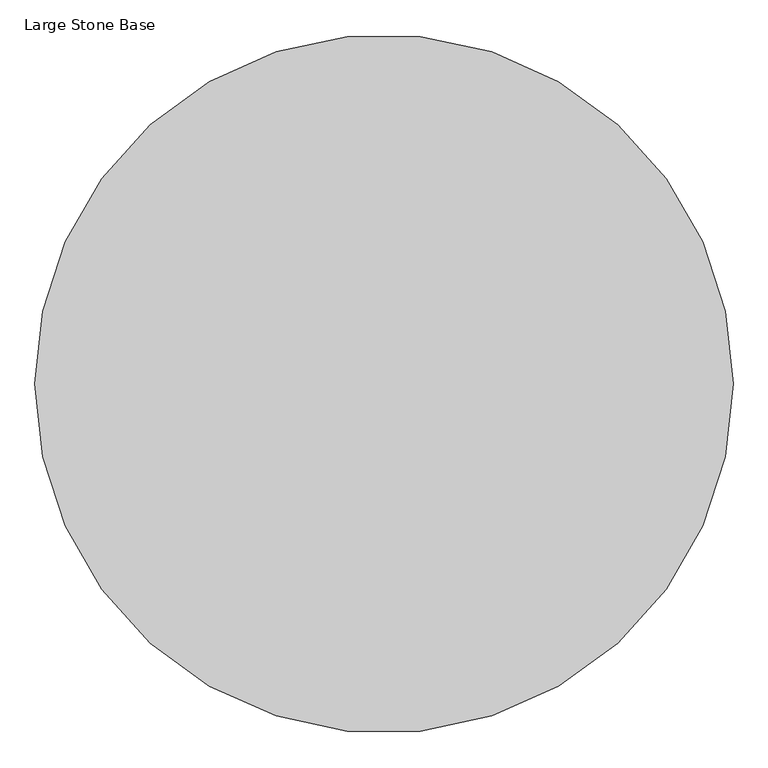
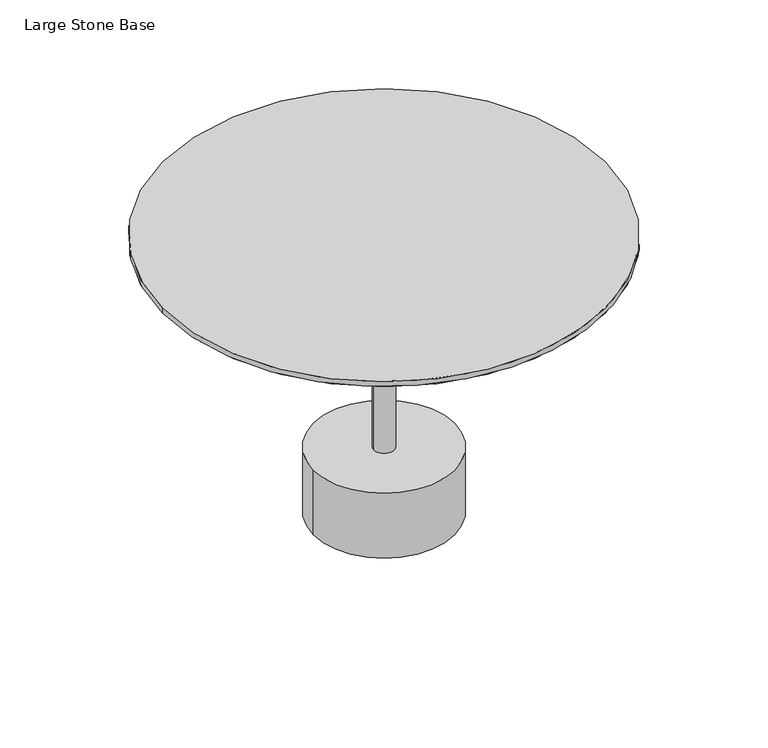
"""IFC4 building model written with IfcOpenShell, lengths in millimetres: furniture geometry, Large Stone Base."""

from ifc_helpers import new_model, si_unit, point, frame, frame_2d, origin, origin_with_axes, place, context, project, spatial, polyline, circle_curve, trimmed, segment, composite_curve, outline, extrude, source, transform, mapped, element, save
from ifc_brep_helpers import plane_surface, revolved_surface, advanced_brep


def large_stone_base_0d351807(model_context):
    return source(origin(), model_context, "Body", "SolidModel", [
        extrude(outline(composite_curve([segment(trimmed(circle_curve(frame_2d((-155.4452882, -292.1)), 325.2780625), [point((-480.7233507, -292.1))], [point((169.8327744, -292.1))], False, "CARTESIAN"), True, "CONTINUOUS"), segment(trimmed(circle_curve(frame_2d((-155.4452882, -292.1)), 325.2780625), [point((169.8327744, -292.1))], [point((-480.7233507, -292.1))], False, "CARTESIAN"), True, "CONTINUOUS")], self_intersect=False)), frame((0.0, 0.0, 698.9800095), z_axis=(0.0, 0.0, 1.0), x_axis=(1.0, 0.0, 0.0)), (0.0, 0.0, 1.0), 2.9999622),
        advanced_brep(
        [(-448.647757, -292.1027186, 698.9800095), (137.7571807, -292.1027186, 698.9800095), (-155.4452882, -292.1027186, 698.9800095), (-379.8914523, -292.1027186, 674.4799788), (69.000876, -292.1027186, 674.4799788), (-155.4452882, -292.1027186, 674.4799788)],
        [
            (0, 1, circle_curve(frame((-155.4452882, -292.1027186, 698.9800095), z_axis=(0.0, 0.0, 1.0), x_axis=(1.0, 0.0, 0.0)), 293.2024688)),
            (1, 2),
            (2, 0),
            (1, 0, circle_curve(frame((-155.4452882, -292.1027186, 698.9800095), z_axis=(0.0, 0.0, 1.0), x_axis=(1.0, 0.0, 0.0)), 293.2024688)),
            (3, 4, circle_curve(frame((-155.4452882, -292.1027186, 674.4799788), z_axis=(0.0, 0.0, 1.0), x_axis=(1.0, 0.0, 0.0)), 224.4461642)),
            (4, 1),
            (0, 3),
            (4, 3, circle_curve(frame((-155.4452882, -292.1027186, 674.4799788), z_axis=(0.0, 0.0, 1.0), x_axis=(1.0, 0.0, 0.0)), 224.4461642)),
            (5, 4),
            (3, 5),
        ],
        [
            plane_surface(frame((-155.4452882, -292.1027186, 698.9800095), z_axis=(0.0, 0.0, 1.0), x_axis=(1.0, 0.0, 0.0))),
            revolved_surface(polyline([(137.7571807, -292.1027186, 698.9800095), (69.000876, -292.1027186, 674.4799788)]), (-155.4452882, -292.1027186, 696.9852728), (0.0, 0.0, -1.0)),
            plane_surface(frame((-155.4452882, -292.1027186, 674.4799788), z_axis=(0.0, 0.0, -1.0), x_axis=(1.0, 0.0, 0.0))),
        ],
        [
            (0, [[1, 2, 3]]),
            (0, [[4, -3, -2]]),
            (1, [[5, 6, -1, 7]]),
            (1, [[8, -7, -4, -6]]),
            (2, [[9, -5, 10]]),
            (2, [[-10, -8, -9]]),
        ],
    ),
        extrude(outline(composite_curve([segment(trimmed(circle_curve(frame_2d((-155.4452882, -292.1)), 25.1789912), [point((-180.6242793, -292.1))], [point((-130.266297, -292.1))], False, "CARTESIAN"), True, "CONTINUOUS"), segment(trimmed(circle_curve(frame_2d((-155.4452882, -292.1)), 25.1789912), [point((-130.266297, -292.1))], [point((-180.6242793, -292.1))], False, "CARTESIAN"), True, "CONTINUOUS")], self_intersect=False)), frame((0.0, 0.0, 173.1865621), z_axis=(0.0, 0.0, 1.0), x_axis=(1.0, 0.0, 0.0)), (0.0, 0.0, 1.0), 508.7254665),
        extrude(outline(composite_curve([segment(trimmed(circle_curve(frame_2d((-155.4452882, -292.1)), 167.901137), [point((-323.3464252, -292.1))], [point((12.4558489, -292.1))], False, "CARTESIAN"), True, "CONTINUOUS"), segment(trimmed(circle_curve(frame_2d((-155.4452882, -292.1)), 167.901137), [point((12.4558489, -292.1))], [point((-323.3464252, -292.1))], False, "CARTESIAN"), True, "CONTINUOUS")], self_intersect=False)), origin_with_axes(), (0.0, 0.0, 1.0), 3.0065621),
        extrude(outline(composite_curve([segment(trimmed(circle_curve(frame_2d((-155.4452882, -292.1)), 175.3123083), [point((-330.7575964, -292.1))], [point((19.8670201, -292.1))], False, "CARTESIAN"), True, "CONTINUOUS"), segment(trimmed(circle_curve(frame_2d((-155.4452882, -292.1)), 175.3123083), [point((19.8670201, -292.1))], [point((-330.7575964, -292.1))], False, "CARTESIAN"), True, "CONTINUOUS")], self_intersect=False)), frame((0.0, 0.0, 3.0065621), z_axis=(0.0, 0.0, 1.0), x_axis=(1.0, 0.0, 0.0)), (0.0, 0.0, 1.0), 170.18),
        extrude(outline(composite_curve([segment(trimmed(circle_curve(frame_2d((-155.4452882, -292.1)), 549.91), [point((-705.3552882, -292.1))], [point((394.4647118, -292.1))], False, "CARTESIAN"), True, "CONTINUOUS"), segment(trimmed(circle_curve(frame_2d((-155.4452882, -292.1)), 549.91), [point((394.4647118, -292.1))], [point((-705.3552882, -292.1))], False, "CARTESIAN"), True, "CONTINUOUS")], self_intersect=False)), frame((0.0, 0.0, 715.7948988), z_axis=(0.0, 0.0, 1.0), x_axis=(1.0, 0.0, 0.0)), (0.0, 0.0, 1.0), 13.1851012),
        advanced_brep(
        [(-705.3552882, -292.1, 715.7948988), (394.4647118, -292.1, 715.7948988), (-664.7152882, -292.1, 701.9799717), (353.8247118, -292.1, 701.9799717)],
        [
            (0, 1, circle_curve(frame((-155.4452882, -292.1, 715.7948988), z_axis=(0.0, 0.0, 1.0), x_axis=(-1.0, 0.0, 0.0)), 549.91)),
            (1, 0, circle_curve(frame((-155.4452882, -292.1, 715.7948988), z_axis=(0.0, 0.0, 1.0), x_axis=(1.0, 0.0, 0.0)), 549.91)),
            (2, 3, circle_curve(frame((-155.4452882, -292.1, 701.9799717), z_axis=(0.0, 0.0, -1.0), x_axis=(1.0, 0.0, 0.0)), 509.27)),
            (3, 2, circle_curve(frame((-155.4452882, -292.1, 701.9799717), z_axis=(0.0, 0.0, -1.0), x_axis=(-1.0, 0.0, 0.0)), 509.27)),
            (3, 1),
            (0, 2),
        ],
        [
            plane_surface(frame((-155.4452882, -292.1, 715.7948988), z_axis=(0.0, 0.0, 1.0), x_axis=(0.0, -1.0, 0.0))),
            plane_surface(frame((-155.4452882, -292.1, 701.9799717), z_axis=(0.0, 0.0, -1.0), x_axis=(0.0, -1.0, 0.0))),
            revolved_surface(polyline([(353.824711795244, -292.1, 701.9799717), (394.4647118, -292.1, 715.7948988)]), (-155.4452882, -292.1, 528.8616665), (0.0, 0.0, 1.0)),
            revolved_surface(polyline([(-664.715288195244, -292.1, 701.9799717), (-705.3552882000001, -292.1, 715.7948988)]), (-155.4452882, -292.1, 528.8616665), (0.0, 0.0, 1.0)),
        ],
        [
            (0, [[1, 2]]),
            (1, [[3, 4]]),
            (2, [[-4, 5, -1, 6]]),
            (3, [[-3, -6, -2, -5]]),
        ],
    ),
    ])


if __name__ == "__main__":
    model = new_model("IFC4")
    model_context = context("Model", 3, world=origin())
    ifc_project = project(units=[si_unit("LENGTHUNIT", "METRE", prefix="MILLI")], contexts=[model_context])
    site = spatial("IfcSite", under=ifc_project)
    building = spatial("IfcBuilding", under=site)
    placement = place(None, origin())
    large_stone_base_shape = large_stone_base_0d351807(model_context)
    element("IfcFurniture", 1, ObjectType="Large Stone Base", at=placement, inside=building, context=model_context, shape_type="MappedRepresentation", body=[
        mapped(large_stone_base_shape, transform((0.0, 0.0, 0.0), x_axis=(1.0, 0.0, 0.0), y_axis=(0.0, 1.0, 0.0), z_axis=(0.0, 0.0, 1.0))),
    ])
    save(model, "model.ifc")
